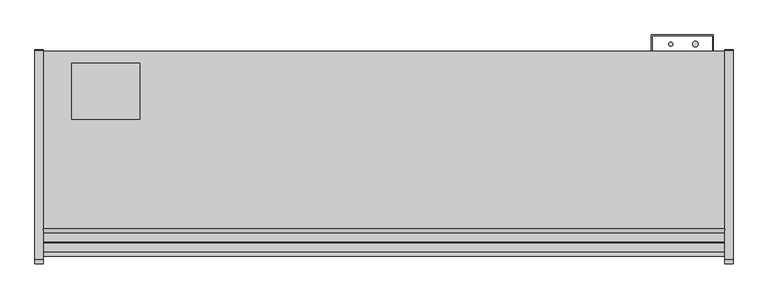
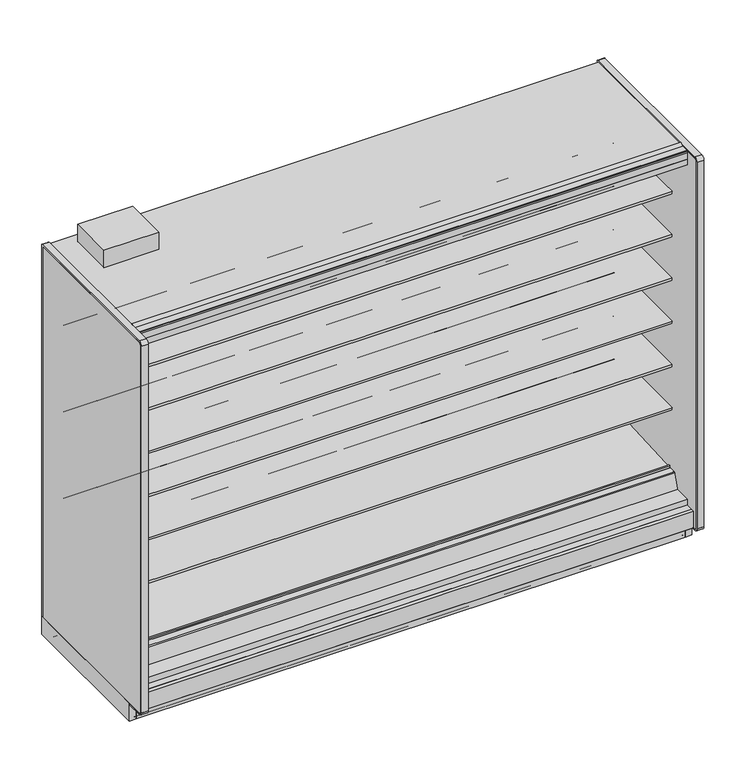
"""IFC4 building model written with IfcOpenShell, lengths in millimetres: proxy geometry."""

from ifc_helpers import new_model, si_unit, point, frame, frame_2d, origin, origin_with_axes, place, context, project, spatial, polyline, circle_curve, trimmed, segment, composite_curve, outline, extrude, source, transform, mapped, element, save
from ifc_brep_helpers import plane_surface, cylinder_surface, revolved_surface, advanced_brep


def mechanical_equipment_aef03541(model_context):
    return source(origin(), model_context, "Body", "SolidModel", [
        advanced_brep(
        [(3048.0, -561.9634035, 344.1848334), (3048.0, -564.2429044, 345.4296812), (3048.0, -1026.8895371, 320.6518015), (3048.0, -1030.5933535, 323.8714799), (3048.0, -1031.0840219, 329.4798433), (3048.0, -1038.0719408, 329.6038293), (3048.0, -1036.3912863, 310.3938498), (3048.0, -1029.7331167, 304.6059909), (3048.0, -564.0987232, 329.0088554), (3048.0, -561.0984251, 332.412155), (0.0, -561.9634035, 344.1848334), (0.0, -561.0984251, 332.412155), (0.0, -564.0987232, 329.0088554), (0.0, -1029.7331167, 304.6059909), (0.0, -1036.3912863, 310.3938498), (0.0, -1038.0719408, 329.6038293), (0.0, -1031.1453592, 329.474477), (0.0, -1030.5933535, 323.8714799), (0.0, -1026.8895371, 320.6518015), (0.0, -564.2429044, 345.4296812)],
        [
            (0, 1, circle_curve(frame((3048.0, -564.1846976, 342.8267904), z_axis=(1.0, 0.0, 0.0), x_axis=(0.0, 1.0, 0.0)), 2.6035415)),
            (1, 2),
            (2, 3, circle_curve(frame((3048.0, -1027.074408, 324.1793478), z_axis=(-1.0, 0.0, 0.0), x_axis=(0.0, 1.0, 0.0)), 3.5323874)),
            (3, 4),
            (4, 5, circle_curve(frame((3048.0, -1034.6155275, 329.1708765), z_axis=(1.0, 0.0, 0.0), x_axis=(0.0, 1.0, 0.0)), 3.4834238)),
            (5, 6),
            (6, 7, circle_curve(frame((3048.0, -1030.06545, 310.9472884), z_axis=(1.0, 0.0, 0.0), x_axis=(0.0, 1.0, 0.0)), 6.35)),
            (7, 8),
            (8, 9, circle_curve(frame((3048.0, -564.2648898, 332.1795042), z_axis=(1.0, 0.0, 0.0), x_axis=(0.0, 1.0, 0.0)), 3.175)),
            (9, 0),
            (10, 11),
            (11, 12, circle_curve(frame((0.0, -564.2648898, 332.1795042), z_axis=(-1.0, 0.0, 0.0), x_axis=(0.0, 1.0, 0.0)), 3.175)),
            (12, 13),
            (13, 14, circle_curve(frame((0.0, -1030.06545, 310.9472884), z_axis=(-1.0, 0.0, 0.0), x_axis=(0.0, 1.0, 0.0)), 6.35)),
            (14, 15),
            (15, 16, circle_curve(frame((0.0, -1034.6155275, 329.1708765), z_axis=(-1.0, 0.0, 0.0), x_axis=(0.0, 1.0, 0.0)), 3.4834238)),
            (16, 17),
            (17, 18, circle_curve(frame((0.0, -1027.074408, 324.1793478), z_axis=(1.0, 0.0, 0.0), x_axis=(0.0, 1.0, 0.0)), 3.5323874)),
            (18, 19),
            (19, 10, circle_curve(frame((0.0, -564.1846976, 342.8267904), z_axis=(-1.0, 0.0, 0.0), x_axis=(0.0, 1.0, 0.0)), 2.6035415)),
            (0, 10),
            (19, 1),
            (18, 2),
            (17, 3),
            (16, 4),
            (15, 5),
            (14, 6),
            (13, 7),
            (12, 8),
            (11, 9),
        ],
        [
            plane_surface(frame((3048.0, -561.5811561, 342.8267904), z_axis=(1.0, 0.0, 0.0), x_axis=(0.0, 0.0, 1.0))),
            plane_surface(frame((0.0, -561.5811561, 342.8267904), z_axis=(-1.0, 0.0, 0.0), x_axis=(0.0, 0.0, -1.0))),
            cylinder_surface(frame((0.0, -564.1846976, 342.8267904), z_axis=(1.0, 0.0, 0.0), x_axis=(0.0, 1.0, 0.0)), 2.6035415),
            plane_surface(frame((3048.0, -564.2429044, 345.4296812), z_axis=(0.0, -0.05348016950002925, 0.9985689117283034), x_axis=(-1.0, 0.0, 0.0))),
            revolved_surface(polyline([(0.0, -1023.5420206, 324.1793478), (3048.0, -1023.5420206, 324.1793478)]), (0.0, -1027.074408, 324.1793478), (-1.0, 0.0, 0.0)),
            plane_surface(frame((3048.0, -1030.5933535, 323.8714799), z_axis=(0.0, 0.9961946955698885, 0.08715577157261226), x_axis=(-1.0, 0.0, 0.0))),
            cylinder_surface(frame((0.0, -1034.6155275, 329.1708765), z_axis=(1.0, 0.0, 0.0), x_axis=(0.0, 1.0, 0.0)), 3.4834238),
            plane_surface(frame((3048.0, -1038.0719408, 329.6038293), z_axis=(0.0, -0.9961947025639891, -0.08715569162966595), x_axis=(-1.0, 0.0, 0.0))),
            cylinder_surface(frame((0.0, -1030.06545, 310.9472884), z_axis=(1.0, 0.0, 0.0), x_axis=(0.0, 1.0, 0.0)), 6.35),
            plane_surface(frame((3048.0, -1029.7331167, 304.6059909), z_axis=(0.0, 0.05233595624301148, -0.9986295347545703), x_axis=(-1.0, 0.0, 0.0))),
            cylinder_surface(frame((0.0, -564.2648898, 332.1795042), z_axis=(1.0, 0.0, 0.0), x_axis=(0.0, 1.0, 0.0)), 3.175),
            plane_surface(frame((3048.0, -561.0984251, 332.412155), z_axis=(0.0, 0.9973117114183067, 0.07327585050948485), x_axis=(-1.0, 0.0, 0.0))),
        ],
        [
            (0, [[1, 2, 3, 4, 5, 6, 7, 8, 9, 10]]),
            (1, [[11, 12, 13, 14, 15, 16, 17, 18, 19, 20]]),
            (2, [[-1, 21, -20, 22]]),
            (3, [[-2, -22, -19, 23]]),
            (4, [[-3, -23, -18, 24]]),
            (5, [[-4, -24, -17, 25]]),
            (6, [[-5, -25, -16, 26]]),
            (7, [[-6, -26, -15, 27]]),
            (8, [[-7, -27, -14, 28]]),
            (9, [[-8, -28, -13, 29]]),
            (10, [[-9, -29, -12, 30]]),
            (11, [[-10, -30, -11, -21]]),
        ],
    ),
        extrude(outline(polyline([(0.0, -76.2), (0.0, 0.0), (3048.0, 0.0), (3048.0, -76.2), (0.0, -76.2)])), frame((3048.0, -1148.315718, 2172.3343709), z_axis=(0.0, 0.20791169081767066, 0.9781476007338246), x_axis=(-1.0, 0.0, 0.0)), (0.0, 0.0, 1.0), 12.7),
        extrude(outline(composite_curve([segment(polyline([(-450.7214273, 610.906076), (-468.9852913, 610.5955195)]), True, "CONTINUOUS"), segment(trimmed(circle_curve(frame_2d((-469.4171274, 635.9918483)), 25.4), [point((-468.9852913, 610.5955195))], [point((-485.3944836, 616.2463656))], False, "CARTESIAN"), True, "CONTINUOUS"), segment(polyline([(-485.3944836, 616.2463656), (-503.2465447, 630.6916311)]), True, "CONTINUOUS"), segment(trimmed(circle_curve(frame_2d((-543.1899354, 581.3279244)), 63.5), [point((-503.2465447, 630.6916311))], [point((-535.2920542, 644.3348563))], True, "CARTESIAN"), True, "CONTINUOUS"), segment(polyline([(-535.2920542, 644.3348563), (-749.7407218, 668.0319937), (-751.2294983, 671.4725458), (-1060.3214273, 671.4725458), (-1060.3214273, 685.6965458), (-450.7214273, 685.6965458), (-450.7214273, 610.906076)]), True, "CONTINUOUS")], self_intersect=False)), frame((0.0, 0.0, 0.0), z_axis=(1.0, 0.0, 0.0), x_axis=(0.0, 1.0, 0.0)), (0.0, 0.0, 1.0), 3048.0),
        extrude(outline(composite_curve([segment(polyline([(-450.7214273, 864.906076), (-468.9852913, 864.5955195)]), True, "CONTINUOUS"), segment(trimmed(circle_curve(frame_2d((-469.4171274, 889.9918483)), 25.4), [point((-468.9852913, 864.5955195))], [point((-485.3944836, 870.2463656))], False, "CARTESIAN"), True, "CONTINUOUS"), segment(polyline([(-485.3944836, 870.2463656), (-503.2465447, 884.6916311)]), True, "CONTINUOUS"), segment(trimmed(circle_curve(frame_2d((-543.1899354, 835.3279244)), 63.5), [point((-503.2465447, 884.6916311))], [point((-535.2920542, 898.3348563))], True, "CARTESIAN"), True, "CONTINUOUS"), segment(polyline([(-535.2920542, 898.3348563), (-749.7407218, 922.0319937), (-751.2294983, 925.4725458), (-1060.3214273, 925.4725458), (-1060.3214273, 939.6965458), (-450.7214273, 939.6965458), (-450.7214273, 864.906076)]), True, "CONTINUOUS")], self_intersect=False)), frame((0.0, 0.0, 0.0), z_axis=(1.0, 0.0, 0.0), x_axis=(0.0, 1.0, 0.0)), (0.0, 0.0, 1.0), 3048.0),
        extrude(outline(composite_curve([segment(polyline([(-450.7214273, 1118.906076), (-468.9852913, 1118.5955195)]), True, "CONTINUOUS"), segment(trimmed(circle_curve(frame_2d((-469.4171274, 1143.9918483)), 25.4), [point((-468.9852913, 1118.5955195))], [point((-485.3944836, 1124.2463656))], False, "CARTESIAN"), True, "CONTINUOUS"), segment(polyline([(-485.3944836, 1124.2463656), (-503.2465447, 1138.6916311)]), True, "CONTINUOUS"), segment(trimmed(circle_curve(frame_2d((-543.1899354, 1089.3279244)), 63.5), [point((-503.2465447, 1138.6916311))], [point((-535.2920542, 1152.3348563))], True, "CARTESIAN"), True, "CONTINUOUS"), segment(polyline([(-535.2920542, 1152.3348563), (-749.7407218, 1176.0319937), (-751.2294983, 1179.4725458), (-1060.3214273, 1179.4725458), (-1060.3214273, 1193.6965458), (-450.7214273, 1193.6965458), (-450.7214273, 1118.906076)]), True, "CONTINUOUS")], self_intersect=False)), frame((0.0, 0.0, 0.0), z_axis=(1.0, 0.0, 0.0), x_axis=(0.0, 1.0, 0.0)), (0.0, 0.0, 1.0), 3048.0),
        extrude(outline(composite_curve([segment(polyline([(-450.7214273, 1372.906076), (-468.9852913, 1372.5955195)]), True, "CONTINUOUS"), segment(trimmed(circle_curve(frame_2d((-469.4171274, 1397.9918483)), 25.4), [point((-468.9852913, 1372.5955195))], [point((-485.3944836, 1378.2463656))], False, "CARTESIAN"), True, "CONTINUOUS"), segment(polyline([(-485.3944836, 1378.2463656), (-503.2465447, 1392.6916311)]), True, "CONTINUOUS"), segment(trimmed(circle_curve(frame_2d((-543.1899354, 1343.3279244)), 63.5), [point((-503.2465447, 1392.6916311))], [point((-535.2920542, 1406.3348563))], True, "CARTESIAN"), True, "CONTINUOUS"), segment(polyline([(-535.2920542, 1406.3348563), (-749.7407218, 1430.0319937), (-751.2294983, 1433.4725458), (-1060.3214273, 1433.4725458), (-1060.3214273, 1447.6965458), (-450.7214273, 1447.6965458), (-450.7214273, 1372.906076)]), True, "CONTINUOUS")], self_intersect=False)), frame((0.0, 0.0, 0.0), z_axis=(1.0, 0.0, 0.0), x_axis=(0.0, 1.0, 0.0)), (0.0, 0.0, 1.0), 3048.0),
        extrude(outline(composite_curve([segment(polyline([(-450.7214273, 1626.906076), (-468.9852913, 1626.5955195)]), True, "CONTINUOUS"), segment(trimmed(circle_curve(frame_2d((-469.4171274, 1651.9918483)), 25.4), [point((-468.9852913, 1626.5955195))], [point((-485.3944836, 1632.2463656))], False, "CARTESIAN"), True, "CONTINUOUS"), segment(polyline([(-485.3944836, 1632.2463656), (-503.2465447, 1646.6916311)]), True, "CONTINUOUS"), segment(trimmed(circle_curve(frame_2d((-543.1899354, 1597.3279244)), 63.5), [point((-503.2465447, 1646.6916311))], [point((-535.2920542, 1660.3348563))], True, "CARTESIAN"), True, "CONTINUOUS"), segment(polyline([(-535.2920542, 1660.3348563), (-749.7407218, 1684.0319937), (-751.2294983, 1687.4725458), (-1060.3214273, 1687.4725458), (-1060.3214273, 1701.6965458), (-450.7214273, 1701.6965458), (-450.7214273, 1626.906076)]), True, "CONTINUOUS")], self_intersect=False)), frame((0.0, 0.0, 0.0), z_axis=(1.0, 0.0, 0.0), x_axis=(0.0, 1.0, 0.0)), (0.0, 0.0, 1.0), 3048.0),
        extrude(outline(composite_curve([segment(polyline([(-450.7214273, 1880.906076), (-468.9852913, 1880.5955195)]), True, "CONTINUOUS"), segment(trimmed(circle_curve(frame_2d((-469.4171274, 1905.9918483)), 25.4), [point((-468.9852913, 1880.5955195))], [point((-485.3944836, 1886.2463656))], False, "CARTESIAN"), True, "CONTINUOUS"), segment(polyline([(-485.3944836, 1886.2463656), (-503.2465447, 1900.6916311)]), True, "CONTINUOUS"), segment(trimmed(circle_curve(frame_2d((-543.1899354, 1851.3279244)), 63.5), [point((-503.2465447, 1900.6916311))], [point((-535.2920542, 1914.3348563))], True, "CARTESIAN"), True, "CONTINUOUS"), segment(polyline([(-535.2920542, 1914.3348563), (-749.7407218, 1938.0319937), (-751.2294983, 1941.4725458), (-1060.3214273, 1941.4725458), (-1060.3214273, 1955.6965458), (-450.7214273, 1955.6965458), (-450.7214273, 1880.906076)]), True, "CONTINUOUS")], self_intersect=False)), frame((0.0, 0.0, 0.0), z_axis=(1.0, 0.0, 0.0), x_axis=(0.0, 1.0, 0.0)), (0.0, 0.0, 1.0), 3048.0),
        extrude(outline(composite_curve([segment(polyline([(-399.4642273, 263.5334166), (-450.7214273, 263.5334166), (-450.7214273, 2180.7678), (-1054.683315, 2180.7678), (-1065.9723027, 2183.3740682), (-1068.4516793, 2171.7095186)]), True, "CONTINUOUS"), segment(trimmed(circle_curve(frame_2d((-1069.9423762, 2172.026376)), 1.524), [point((-1068.4516793, 2171.7095186))], [point((-1070.2592336, 2170.535679))], False, "CARTESIAN"), True, "CONTINUOUS"), segment(polyline([(-1070.2592336, 2170.535679), (-1146.9989273, 2186.8472045), (-1146.9989273, 2185.4610037)]), True, "CONTINUOUS"), segment(trimmed(circle_curve(frame_2d((-1149.3773343, 2185.6703219)), 2.3876), [point((-1146.9989273, 2185.4610037))], [point((-1149.3773343, 2183.2827219))], False, "CARTESIAN"), True, "CONTINUOUS"), segment(polyline([(-1149.3773343, 2183.2827219), (-1160.0080838, 2183.2827219), (-1160.0080838, 2198.5584119), (-1204.934197, 2198.5584119), (-1204.934197, 2231.5678), (-399.4642273, 2231.5678), (-399.4642273, 263.5334166)]), True, "CONTINUOUS")], self_intersect=False)), frame((0.0, 0.0, 0.0), z_axis=(1.0, 0.0, 0.0), x_axis=(0.0, 1.0, 0.0)), (0.0, 0.0, 1.0), 3048.0),
        extrude(outline(polyline([(-1184.0321273, 137.6211945), (-1168.9318273, 134.4868212), (-1168.9318273, 0.0), (-1184.0321273, 0.0), (-1184.0321273, 137.6211945)])), frame((0.0, 0.0, 0.0), z_axis=(1.0, 0.0, 0.0), x_axis=(0.0, 1.0, 0.0)), (0.0, 0.0, 1.0), 3048.0),
        extrude(outline(composite_curve([segment(polyline([(-1143.4147517, 2293.9163807), (-1142.8305517, 2292.9045166), (-1164.373752, 2280.4665441)]), True, "CONTINUOUS"), segment(trimmed(circle_curve(frame_2d((-1165.351652, 2282.1603166)), 1.9558), [point((-1164.373752, 2280.4665441))], [point((-1165.351652, 2280.2045166))], False, "CARTESIAN"), True, "CONTINUOUS"), segment(polyline([(-1165.351652, 2280.2045166), (-1204.146797, 2280.2045166)]), True, "CONTINUOUS"), segment(trimmed(circle_curve(frame_2d((-1204.146797, 2279.4171166)), 0.7874), [point((-1204.146797, 2280.2045166))], [point((-1204.934197, 2279.4171166))], True, "CARTESIAN"), True, "CONTINUOUS"), segment(polyline([(-1204.934197, 2279.4171166), (-1204.934197, 2271.1740275), (-1206.102597, 2271.1740275), (-1206.102597, 2279.4171166)]), True, "CONTINUOUS"), segment(trimmed(circle_curve(frame_2d((-1204.146797, 2279.4171166)), 1.9558), [point((-1206.102597, 2279.4171166))], [point((-1204.146797, 2281.3729166))], False, "CARTESIAN"), True, "CONTINUOUS"), segment(polyline([(-1204.146797, 2281.3729166), (-1165.8714792, 2281.3729166)]), True, "CONTINUOUS"), segment(trimmed(circle_curve(frame_2d((-1165.8714792, 2284.100338)), 2.7274214), [point((-1165.8714792, 2281.3729166))], [point((-1164.5077684, 2281.7383218))], True, "CARTESIAN"), True, "CONTINUOUS"), segment(polyline([(-1164.5077684, 2281.7383218), (-1143.4147517, 2293.9163807)]), True, "CONTINUOUS")], self_intersect=False)), frame((0.0, 0.0, 0.0), z_axis=(1.0, 0.0, 0.0), x_axis=(0.0, 1.0, 0.0)), (0.0, 0.0, 1.0), 3048.0),
        extrude(outline(composite_curve([segment(trimmed(circle_curve(frame_2d((-389.0756273, 5.1562)), 5.1562), [point((-389.0756273, 0.0))], [point((-394.2318273, 5.1562))], False, "CARTESIAN"), True, "CONTINUOUS"), segment(polyline([(-394.2318273, 5.1562), (-394.2318273, 20.5359)]), True, "CONTINUOUS"), segment(trimmed(circle_curve(frame_2d((-396.6194273, 20.5359)), 2.3876), [point((-394.2318273, 20.5359))], [point((-396.6194273, 22.9235))], True, "CARTESIAN"), True, "CONTINUOUS"), segment(polyline([(-396.6194273, 22.9235), (-407.8462273, 22.9235)]), True, "CONTINUOUS"), segment(trimmed(circle_curve(frame_2d((-407.8462273, 20.5359)), 2.3876), [point((-407.8462273, 22.9235))], [point((-410.2338273, 20.5359))], True, "CARTESIAN"), True, "CONTINUOUS"), segment(polyline([(-410.2338273, 20.5359), (-410.2338273, 5.1054), (-413.0024273, 5.1054), (-413.0024273, 20.5359)]), True, "CONTINUOUS"), segment(trimmed(circle_curve(frame_2d((-407.8462273, 20.5359)), 5.1562), [point((-413.0024273, 20.5359))], [point((-407.8462273, 25.6921))], False, "CARTESIAN"), True, "CONTINUOUS"), segment(polyline([(-407.8462273, 25.6921), (-396.6194273, 25.6921)]), True, "CONTINUOUS"), segment(trimmed(circle_curve(frame_2d((-396.6194273, 20.5359)), 5.1562), [point((-396.6194273, 25.6921))], [point((-391.4632273, 20.5359))], False, "CARTESIAN"), True, "CONTINUOUS"), segment(polyline([(-391.4632273, 20.5359), (-391.4632273, 5.1562)]), True, "CONTINUOUS"), segment(trimmed(circle_curve(frame_2d((-389.0756273, 5.1562)), 2.3876), [point((-391.4632273, 5.1562))], [point((-389.0756273, 2.7686))], True, "CARTESIAN"), True, "CONTINUOUS"), segment(polyline([(-389.0756273, 2.7686), (-354.1633273, 2.7686)]), True, "CONTINUOUS"), segment(trimmed(circle_curve(frame_2d((-354.1633273, 5.1562)), 2.3876), [point((-354.1633273, 2.7686))], [point((-351.7757273, 5.1562))], True, "CARTESIAN"), True, "CONTINUOUS"), segment(polyline([(-351.7757273, 5.1562), (-351.7757273, 24.892), (-349.0071273, 24.892), (-349.0071273, 5.1562)]), True, "CONTINUOUS"), segment(trimmed(circle_curve(frame_2d((-354.1633273, 5.1562)), 5.1562), [point((-349.0071273, 5.1562))], [point((-354.1633273, 0.0))], False, "CARTESIAN"), True, "CONTINUOUS"), segment(polyline([(-354.1633273, 0.0), (-389.0756273, 0.0)]), True, "CONTINUOUS")], self_intersect=False)), frame((0.0, 0.0, 0.0), z_axis=(1.0, 0.0, 0.0), x_axis=(0.0, 1.0, 0.0)), (0.0, 0.0, 1.0), 3048.0),
        extrude(outline(polyline([(431.8, -402.5757273), (431.8, -653.4642273), (127.0, -653.4642273), (127.0, -402.5757273), (431.8, -402.5757273)])), frame((0.0, 0.0, 2283.6853727), z_axis=(0.0, 0.0, 1.0), x_axis=(1.0, 0.0, 0.0)), (0.0, 0.0, 1.0), 100.7396273),
        extrude(outline(composite_curve([segment(trimmed(circle_curve(frame_2d((2917.1930803, -317.2571273)), 12.7), [point((2904.4930803, -317.2571273))], [point((2929.8930803, -317.2571273))], False, "CARTESIAN"), True, "CONTINUOUS"), segment(trimmed(circle_curve(frame_2d((2917.1930803, -317.2571273)), 12.7), [point((2929.8930803, -317.2571273))], [point((2904.4930803, -317.2571273))], False, "CARTESIAN"), True, "CONTINUOUS")], self_intersect=False)), frame((0.0, 0.0, 1447.6965458), z_axis=(0.0, 0.0, 1.0), x_axis=(1.0, 0.0, 0.0)), (0.0, 0.0, 1.0), 508.0),
        extrude(outline(composite_curve([segment(trimmed(circle_curve(frame_2d((2807.2004524, -317.2571273)), 9.525), [point((2797.6754524, -317.2571273))], [point((2816.7254524, -317.2571273))], False, "CARTESIAN"), True, "CONTINUOUS"), segment(trimmed(circle_curve(frame_2d((2807.2004524, -317.2571273)), 9.525), [point((2816.7254524, -317.2571273))], [point((2797.6754524, -317.2571273))], False, "CARTESIAN"), True, "CONTINUOUS")], self_intersect=False)), frame((0.0, 0.0, 1447.6965458), z_axis=(0.0, 0.0, 1.0), x_axis=(1.0, 0.0, 0.0)), (0.0, 0.0, 1.0), 508.0),
        extrude(outline(composite_curve([segment(trimmed(circle_curve(frame_2d((2908.8004524, -526.8071273)), 9.525), [point((2899.2754524, -526.8071273))], [point((2918.3254524, -526.8071273))], False, "CARTESIAN"), True, "CONTINUOUS"), segment(trimmed(circle_curve(frame_2d((2908.8004524, -526.8071273)), 9.525), [point((2918.3254524, -526.8071273))], [point((2899.2754524, -526.8071273))], False, "CARTESIAN"), True, "CONTINUOUS")], self_intersect=False)), frame((0.0, 0.0, 57.8450688), z_axis=(0.0, 0.0, 1.0), x_axis=(1.0, 0.0, 0.0)), (0.0, 0.0, 1.0), 47.3172812),
        extrude(outline(composite_curve([segment(trimmed(circle_curve(frame_2d((2955.2930803, -526.8071273)), 12.7), [point((2942.5930803, -526.8071273))], [point((2967.9930803, -526.8071273))], False, "CARTESIAN"), True, "CONTINUOUS"), segment(trimmed(circle_curve(frame_2d((2955.2930803, -526.8071273)), 12.7), [point((2967.9930803, -526.8071273))], [point((2942.5930803, -526.8071273))], False, "CARTESIAN"), True, "CONTINUOUS")], self_intersect=False)), frame((0.0, 0.0, 57.8450688), z_axis=(0.0, 0.0, 1.0), x_axis=(1.0, 0.0, 0.0)), (0.0, 0.0, 1.0), 47.3172812),
        advanced_brep(
        [(3048.0, -351.7757273, 5.1562), (3048.0, -351.7757273, 102.030341), (3048.0, -354.5203863, 104.775), (3048.0, -1016.877197, 104.775), (3048.0, -1020.1132273, 101.5389697), (3048.0, -1020.1132273, 5.1562), (3048.0, -1017.7256273, 2.7686), (3048.0, -985.1882273, 2.7686), (3048.0, -985.1882273, 44.45), (3048.0, -386.7007273, 44.45), (3048.0, -386.7007273, 2.7686), (3048.0, -354.1633273, 2.7686), (0.0, -351.7757273, 5.1562), (0.0, -354.1633273, 2.7686), (0.0, -386.7007273, 2.7686), (0.0, -386.7007273, 44.45), (0.0, -985.1882273, 44.45), (0.0, -985.1882273, 2.7686), (0.0, -1017.7256273, 2.7686), (0.0, -1020.1132273, 5.1562), (0.0, -1020.1132273, 101.5389697), (0.0, -1016.877197, 104.775), (0.0, -354.5203863, 104.775), (0.0, -351.7757273, 102.030341), (1574.8, -945.9071273, 104.775), (1473.2, -945.9071273, 104.775), (2984.5, -526.8071273, 104.775), (2882.9, -526.8071273, 104.775), (2882.9, -526.8071273, 44.45), (2984.5, -526.8071273, 44.45), (1473.2, -945.9071273, 70.23735), (1574.8, -945.9071273, 70.23735)],
        [
            (0, 1),
            (1, 2, circle_curve(frame((3048.0, -354.5203863, 102.030341), z_axis=(1.0, 0.0, 0.0), x_axis=(0.0, 1.0, 0.0)), 2.744659)),
            (2, 3),
            (3, 4, circle_curve(frame((3048.0, -1016.877197, 101.5389697), z_axis=(1.0, 0.0, 0.0), x_axis=(0.0, 1.0, 0.0)), 3.2360303)),
            (4, 5),
            (5, 6, circle_curve(frame((3048.0, -1017.7256273, 5.1562), z_axis=(1.0, 0.0, 0.0), x_axis=(0.0, 1.0, 0.0)), 2.3876)),
            (6, 7),
            (7, 8),
            (8, 9),
            (9, 10),
            (10, 11),
            (11, 0, circle_curve(frame((3048.0, -354.1633273, 5.1562), z_axis=(1.0, 0.0, 0.0), x_axis=(0.0, 1.0, 0.0)), 2.3876)),
            (12, 13, circle_curve(frame((0.0, -354.1633273, 5.1562), z_axis=(-1.0, 0.0, 0.0), x_axis=(0.0, 1.0, 0.0)), 2.3876)),
            (13, 14),
            (14, 15),
            (15, 16),
            (16, 17),
            (17, 18),
            (18, 19, circle_curve(frame((0.0, -1017.7256273, 5.1562), z_axis=(-1.0, 0.0, 0.0), x_axis=(0.0, 1.0, 0.0)), 2.3876)),
            (19, 20),
            (20, 21, circle_curve(frame((0.0, -1016.877197, 101.5389697), z_axis=(-1.0, 0.0, 0.0), x_axis=(0.0, 1.0, 0.0)), 3.2360303)),
            (21, 22),
            (22, 23, circle_curve(frame((0.0, -354.5203863, 102.030341), z_axis=(-1.0, 0.0, 0.0), x_axis=(0.0, 1.0, 0.0)), 2.744659)),
            (23, 12),
            (0, 12),
            (23, 1),
            (22, 2),
            (21, 3),
            (24, 25, circle_curve(frame((1524.0, -945.9071273, 104.775), z_axis=(0.0, 0.0, -1.0), x_axis=(1.0, 0.0, 0.0)), 50.8)),
            (25, 24, circle_curve(frame((1524.0, -945.9071273, 104.775), z_axis=(0.0, 0.0, -1.0), x_axis=(1.0, 0.0, 0.0)), 50.8)),
            (26, 27, circle_curve(frame((2933.7, -526.8071273, 104.775), z_axis=(0.0, 0.0, -1.0), x_axis=(1.0, 0.0, 0.0)), 50.8)),
            (27, 26, circle_curve(frame((2933.7, -526.8071273, 104.775), z_axis=(0.0, 0.0, -1.0), x_axis=(1.0, 0.0, 0.0)), 50.8)),
            (20, 4),
            (19, 5),
            (18, 6),
            (17, 7),
            (16, 8),
            (15, 9),
            (28, 29, circle_curve(frame((2933.7, -526.8071273, 44.45), z_axis=(0.0, 0.0, 1.0), x_axis=(1.0, 0.0, 0.0)), 50.8)),
            (29, 28, circle_curve(frame((2933.7, -526.8071273, 44.45), z_axis=(0.0, 0.0, 1.0), x_axis=(1.0, 0.0, 0.0)), 50.8)),
            (14, 10),
            (13, 11),
            (30, 31, circle_curve(frame((1524.0, -945.9071273, 70.23735), z_axis=(0.0, 0.0, 1.0), x_axis=(1.0, 0.0, 0.0)), 50.8)),
            (31, 30, circle_curve(frame((1524.0, -945.9071273, 70.23735), z_axis=(0.0, 0.0, 1.0), x_axis=(1.0, 0.0, 0.0)), 50.8)),
            (30, 25),
            (24, 31),
            (28, 27),
            (26, 29),
        ],
        [
            plane_surface(frame((3048.0, -351.7757273, 124.7613392), z_axis=(1.0, 0.0, 0.0), x_axis=(0.0, 0.0, 1.0))),
            plane_surface(frame((0.0, -351.7757273, 124.7613392), z_axis=(-1.0, 0.0, 0.0), x_axis=(0.0, 0.0, -1.0))),
            plane_surface(frame((3048.0, -351.7757273, 5.1562), z_axis=(0.0, 1.0, 0.0), x_axis=(-1.0, 0.0, 0.0))),
            cylinder_surface(frame((0.0, -354.5203863, 102.030341), z_axis=(1.0, 0.0, 0.0), x_axis=(0.0, 1.0, 0.0)), 2.744659),
            plane_surface(frame((3048.0, -354.5203863, 104.775), z_axis=(0.0, 0.0, 1.0), x_axis=(-1.0, 0.0, 0.0))),
            cylinder_surface(frame((0.0, -1016.877197, 101.5389697), z_axis=(1.0, 0.0, 0.0), x_axis=(0.0, 1.0, 0.0)), 3.2360303),
            plane_surface(frame((3048.0, -1020.1132273, 101.5389697), z_axis=(0.0, -1.0, 0.0), x_axis=(-1.0, 0.0, 0.0))),
            cylinder_surface(frame((0.0, -1017.7256273, 5.1562), z_axis=(1.0, 0.0, 0.0), x_axis=(0.0, 1.0, 0.0)), 2.3876),
            plane_surface(frame((3048.0, -1017.7256273, 2.7686), z_axis=(0.0, 0.0, -1.0), x_axis=(-1.0, 0.0, 0.0))),
            plane_surface(frame((3048.0, -985.1882273, 2.7686), z_axis=(0.0, 1.0, 0.0), x_axis=(-1.0, 0.0, 0.0))),
            plane_surface(frame((3048.0, -985.1882273, 44.45), z_axis=(0.0, 0.0, -1.0), x_axis=(-1.0, 0.0, 0.0))),
            plane_surface(frame((3048.0, -386.7007273, 44.45), z_axis=(0.0, -1.0, 0.0), x_axis=(-1.0, 0.0, 0.0))),
            plane_surface(frame((3048.0, -386.7007273, 2.7686), z_axis=(0.0, 0.0, -1.0), x_axis=(-1.0, 0.0, 0.0))),
            cylinder_surface(frame((0.0, -354.1633273, 5.1562), z_axis=(1.0, 0.0, 0.0), x_axis=(0.0, 1.0, 0.0)), 2.3876),
            plane_surface(frame((1574.8, -945.9071273, 70.23735), z_axis=(0.0, 0.0, 1.0), x_axis=(0.0, -1.0, 0.0))),
            revolved_surface(polyline([(1574.8, -945.9071273, 104.775), (1574.8, -945.9071273, 70.23735)]), (1524.0, -945.9071273, 70.23735), (0.0, 0.0, 1.0)),
            revolved_surface(polyline([(2984.5, -526.8071273, 104.775), (2984.5, -526.8071273, 44.45)]), (2933.7, -526.8071273, 0.0), (0.0, 0.0, 1.0)),
        ],
        [
            (0, [[1, 2, 3, 4, 5, 6, 7, 8, 9, 10, 11, 12]]),
            (1, [[13, 14, 15, 16, 17, 18, 19, 20, 21, 22, 23, 24]]),
            (2, [[-1, 25, -24, 26]]),
            (3, [[-2, -26, -23, 27]]),
            (4, [[-3, -27, -22, 28], [29, 30], [31, 32]]),
            (5, [[-4, -28, -21, 33]]),
            (6, [[-5, -33, -20, 34]]),
            (7, [[-6, -34, -19, 35]]),
            (8, [[-7, -35, -18, 36]]),
            (9, [[-8, -36, -17, 37]]),
            (10, [[-9, -37, -16, 38], [39, 40]]),
            (11, [[-10, -38, -15, 41]]),
            (12, [[-11, -41, -14, 42]]),
            (13, [[-12, -42, -13, -25]]),
            (14, [[43, 44]]),
            (15, [[-43, 45, -29, 46]]),
            (15, [[-44, -46, -30, -45]]),
            (16, [[47, -31, 48, -39]]),
            (16, [[-47, -40, -48, -32]]),
        ],
    ),
        extrude(outline(composite_curve([segment(polyline([(-982.8133273, 0.0), (-1017.7256273, 0.0)]), True, "CONTINUOUS"), segment(trimmed(circle_curve(frame_2d((-1017.7256273, 5.1562)), 5.1562), [point((-1017.7256273, 0.0))], [point((-1022.8818273, 5.1562))], False, "CARTESIAN"), True, "CONTINUOUS"), segment(polyline([(-1022.8818273, 5.1562), (-1022.8818273, 24.892), (-1020.1132273, 24.892), (-1020.1132273, 5.1562)]), True, "CONTINUOUS"), segment(trimmed(circle_curve(frame_2d((-1017.7256273, 5.1562)), 2.3876), [point((-1020.1132273, 5.1562))], [point((-1017.7256273, 2.7686))], True, "CARTESIAN"), True, "CONTINUOUS"), segment(polyline([(-1017.7256273, 2.7686), (-982.8133273, 2.7686)]), True, "CONTINUOUS"), segment(trimmed(circle_curve(frame_2d((-982.8133273, 5.1562)), 2.3876), [point((-982.8133273, 2.7686))], [point((-980.4257273, 5.1562))], True, "CARTESIAN"), True, "CONTINUOUS"), segment(polyline([(-980.4257273, 5.1562), (-980.4257273, 20.5359)]), True, "CONTINUOUS"), segment(trimmed(circle_curve(frame_2d((-975.2695273, 20.5359)), 5.1562), [point((-980.4257273, 20.5359))], [point((-975.2695273, 25.6921))], False, "CARTESIAN"), True, "CONTINUOUS"), segment(polyline([(-975.2695273, 25.6921), (-964.0427273, 25.6921)]), True, "CONTINUOUS"), segment(trimmed(circle_curve(frame_2d((-964.0427273, 20.5359)), 5.1562), [point((-964.0427273, 25.6921))], [point((-958.8865273, 20.5359))], False, "CARTESIAN"), True, "CONTINUOUS"), segment(polyline([(-958.8865273, 20.5359), (-958.8865273, 5.1054), (-961.6551273, 5.1054), (-961.6551273, 20.5359)]), True, "CONTINUOUS"), segment(trimmed(circle_curve(frame_2d((-964.0427273, 20.5359)), 2.3876), [point((-961.6551273, 20.5359))], [point((-964.0427273, 22.9235))], True, "CARTESIAN"), True, "CONTINUOUS"), segment(polyline([(-964.0427273, 22.9235), (-975.2695273, 22.9235)]), True, "CONTINUOUS"), segment(trimmed(circle_curve(frame_2d((-975.2695273, 20.5359)), 2.3876), [point((-975.2695273, 22.9235))], [point((-977.6571273, 20.5359))], True, "CARTESIAN"), True, "CONTINUOUS"), segment(polyline([(-977.6571273, 20.5359), (-977.6571273, 5.1562)]), True, "CONTINUOUS"), segment(trimmed(circle_curve(frame_2d((-982.8133273, 5.1562)), 5.1562), [point((-977.6571273, 5.1562))], [point((-982.8133273, 0.0))], False, "CARTESIAN"), True, "CONTINUOUS")], self_intersect=False)), frame((0.0, 0.0, 0.0), z_axis=(1.0, 0.0, 0.0), x_axis=(0.0, 1.0, 0.0)), (0.0, 0.0, 1.0), 3048.0),
        extrude(outline(polyline([(3086.1, -341.3672835), (3086.1, -1184.0321273), (3048.0, -1184.0321273), (3048.0, -341.3672835), (3086.1, -341.3672835)])), origin_with_axes(), (0.0, 0.0, 1.0), 105.16235),
        extrude(outline(polyline([(0.0, -341.3672835), (0.0, -1184.0321273), (-38.1, -1184.0321273), (-38.1, -341.3672835), (0.0, -341.3672835)])), origin_with_axes(), (0.0, 0.0, 1.0), 105.16235),
        extrude(outline(polyline([(2720.975, -349.0071273), (2720.975, -275.9821273), (2997.2, -275.9821273), (2997.2, -349.0071273), (2994.025, -349.0071273), (2994.025, -279.1571273), (2724.15, -279.1571273), (2724.15, -349.0071273), (2720.975, -349.0071273)])), frame((0.0, 0.0, 304.927), z_axis=(0.0, 0.0, 1.0), x_axis=(1.0, 0.0, 0.0)), (0.0, 0.0, 1.0), 1523.3666145),
        extrude(outline(composite_curve([segment(polyline([(-1204.934197, 2231.5678), (-1204.934197, 2282.0376)]), True, "CONTINUOUS"), segment(trimmed(circle_curve(frame_2d((-1204.146797, 2282.0376)), 0.7874), [point((-1204.934197, 2282.0376))], [point((-1204.146797, 2282.825))], False, "CARTESIAN"), True, "CONTINUOUS"), segment(polyline([(-1204.146797, 2282.825), (-349.0071273, 2282.825), (-349.0071273, 105.16235), (-1245.5001273, 105.16235), (-1245.5001273, 201.2766923), (-1204.9341969, 201.2766923), (-1204.9341969, 141.9598426), (-1119.8033151, 124.2892029), (-399.4642273, 162.0405748), (-399.4642273, 2231.5678), (-1204.934197, 2231.5678)]), True, "CONTINUOUS")], self_intersect=False)), frame((0.0, 0.0, 0.0), z_axis=(1.0, 0.0, 0.0), x_axis=(0.0, 1.0, 0.0)), (0.0, 0.0, 1.0), 3048.0),
        extrude(outline(composite_curve([segment(polyline([(-1254.0726273, 103.4174079), (-1265.1216273, 103.4174079)]), True, "CONTINUOUS"), segment(trimmed(circle_curve(frame_2d((-1265.1216273, 105.0684079)), 1.651), [point((-1265.1216273, 103.4174079))], [point((-1266.7726273, 105.0684079))], False, "CARTESIAN"), True, "CONTINUOUS"), segment(polyline([(-1266.7726273, 105.0684079), (-1266.7726273, 201.2766923), (-1245.5001273, 201.2766923), (-1245.5001273, 104.8779079), (-1254.0726273, 104.8779079), (-1254.0726273, 103.4174079)]), True, "CONTINUOUS")], self_intersect=False)), frame((0.0, 0.0, 0.0), z_axis=(1.0, 0.0, 0.0), x_axis=(0.0, 1.0, 0.0)), (0.0, 0.0, 1.0), 3048.0),
        extrude(outline(composite_curve([segment(polyline([(-1204.9341969, 236.2009548), (-1112.2655229, 236.2009548), (-1085.4840574, 317.0386194)]), True, "CONTINUOUS"), segment(trimmed(circle_curve(frame_2d((-1079.4562504, 315.0416109)), 6.35), [point((-1085.4840574, 317.0386194))], [point((-1079.4562504, 321.3916109))], False, "CARTESIAN"), True, "CONTINUOUS"), segment(polyline([(-1079.4562504, 321.3916109), (-1042.3265632, 321.3916109)]), True, "CONTINUOUS"), segment(trimmed(circle_curve(frame_2d((-1042.3265632, 317.161475)), 4.2301359), [point((-1042.3265632, 321.3916109))], [point((-1038.0964273, 317.161475))], False, "CARTESIAN"), True, "CONTINUOUS"), segment(polyline([(-1038.0964273, 317.161475), (-1038.0964273, 302.496991), (-560.550461, 327.5241146), (-560.9721481, 339.5996547)]), True, "CONTINUOUS"), segment(trimmed(circle_curve(frame_2d((-556.4536725, 339.7574433)), 4.5212298), [point((-560.9721481, 339.5996547))], [point((-556.6114611, 344.2759189))], False, "CARTESIAN"), True, "CONTINUOUS"), segment(polyline([(-556.6114611, 344.2759189), (-470.5298654, 347.2819545)]), True, "CONTINUOUS"), segment(trimmed(circle_curve(frame_2d((-470.5794425, 348.7016581)), 1.420569), [point((-470.5298654, 347.2819545))], [point((-469.1597389, 348.7512352))], True, "CARTESIAN"), True, "CONTINUOUS"), segment(polyline([(-469.1597389, 348.7512352), (-469.2184151, 350.4315015)]), True, "CONTINUOUS"), segment(trimmed(circle_curve(frame_2d((-467.1682375, 350.5030952)), 2.0514273), [point((-469.2184151, 350.4315015))], [point((-467.5303136, 352.5223166))], False, "CARTESIAN"), True, "CONTINUOUS"), segment(polyline([(-467.5303136, 352.5223166), (-450.7214273, 352.5223166), (-450.7214273, 263.5334166), (-399.4642273, 263.5334166), (-399.4642273, 162.0405748), (-1119.8033151, 124.2892029), (-1204.9341969, 141.9598426), (-1204.9341969, 236.2009548)]), True, "CONTINUOUS")], self_intersect=False)), frame((0.0, 0.0, 0.0), z_axis=(1.0, 0.0, 0.0), x_axis=(0.0, 1.0, 0.0)), (0.0, 0.0, 1.0), 3048.0),
        extrude(outline(composite_curve([segment(polyline([(-1018.5257273, 55.1029387), (-1024.5582273, 55.1180957), (-1024.5582273, -0.0063699), (-1163.8777056, 0.0051706)]), True, "CONTINUOUS"), segment(trimmed(circle_curve(frame_2d((-1163.8772869, 5.059711)), 5.0545404), [point((-1163.8777056, 0.0051706))], [point((-1168.9318273, 5.059711))], False, "CARTESIAN"), True, "CONTINUOUS"), segment(polyline([(-1168.9318273, 5.059711), (-1168.9318273, 134.4868212), (-1119.8033151, 124.2892029), (-1018.5257273, 129.5969363), (-1018.5257273, 55.1029387)]), True, "CONTINUOUS")], self_intersect=False)), frame((0.0, 0.0, 0.0), z_axis=(1.0, 0.0, 0.0), x_axis=(0.0, 1.0, 0.0)), (0.0, 0.0, 1.0), 3048.0),
        extrude(outline(composite_curve([segment(trimmed(circle_curve(frame_2d((1524.0, -945.9071273)), 38.1), [point((1485.9, -945.9071273))], [point((1562.1, -945.9071273))], False, "CARTESIAN"), True, "CONTINUOUS"), segment(trimmed(circle_curve(frame_2d((1524.0, -945.9071273)), 38.1), [point((1562.1, -945.9071273))], [point((1485.9, -945.9071273))], False, "CARTESIAN"), True, "CONTINUOUS")], self_intersect=False)), frame((0.0, 0.0, 57.8450688), z_axis=(0.0, 0.0, 1.0), x_axis=(1.0, 0.0, 0.0)), (0.0, 0.0, 1.0), 47.3172812),
        extrude(outline(polyline([(114.3, -411.7999572), (114.3, -462.5999572), (0.0, -462.5999572), (0.0, -411.7999572), (114.3, -411.7999572)])), frame((0.0, 0.0, 63.88735), z_axis=(0.0, 0.0, 1.0), x_axis=(1.0, 0.0, 0.0)), (0.0, 0.0, 1.0), 6.35),
        extrude(outline(composite_curve([segment(trimmed(circle_curve(frame_2d((-1279.2821273, 2270.125)), 12.7), [point((-1279.2821273, 2282.825))], [point((-1291.9821273, 2270.125))], True, "CARTESIAN"), True, "CONTINUOUS"), segment(polyline([(-1291.9821273, 2270.125), (-1291.9821273, 117.86235)]), True, "CONTINUOUS"), segment(trimmed(circle_curve(frame_2d((-1279.2821273, 117.86235)), 12.7), [point((-1291.9821273, 117.86235))], [point((-1279.2821273, 105.16235))], True, "CARTESIAN"), True, "CONTINUOUS"), segment(polyline([(-1279.2821273, 105.16235), (-1184.0321273, 105.16235), (-1184.0321273, 97.5225063), (-1279.2821273, 97.5225063)]), True, "CONTINUOUS"), segment(trimmed(circle_curve(frame_2d((-1279.2821273, 117.86235)), 20.3398438), [point((-1279.2821273, 97.5225063))], [point((-1299.621971, 117.86235))], False, "CARTESIAN"), True, "CONTINUOUS"), segment(polyline([(-1299.621971, 117.86235), (-1299.621971, 2270.125)]), True, "CONTINUOUS"), segment(trimmed(circle_curve(frame_2d((-1279.2821273, 2270.125)), 20.3398437), [point((-1299.621971, 2270.125))], [point((-1279.2821273, 2290.4648438))], False, "CARTESIAN"), True, "CONTINUOUS"), segment(polyline([(-1279.2821273, 2290.4648438), (-345.8197692, 2290.4648438)]), True, "CONTINUOUS"), segment(trimmed(circle_curve(frame_2d((-345.8197692, 2286.0123581)), 4.4524857), [point((-345.8197692, 2290.4648438))], [point((-341.3672835, 2286.0123581))], False, "CARTESIAN"), True, "CONTINUOUS"), segment(polyline([(-341.3672835, 2286.0123581), (-341.3672835, 105.16235), (-349.0071273, 105.16235), (-349.0071273, 2282.825), (-1279.2821273, 2282.825)]), True, "CONTINUOUS")], self_intersect=False)), frame((3048.0, 0.0, 0.0), z_axis=(1.0, 0.0, 0.0), x_axis=(0.0, 1.0, 0.0)), (0.0, 0.0, 1.0), 38.1),
        extrude(outline(composite_curve([segment(polyline([(-1279.2821273, 2282.825), (-349.0071273, 2282.825), (-349.0071273, 105.16235), (-1279.2821273, 105.16235)]), True, "CONTINUOUS"), segment(trimmed(circle_curve(frame_2d((-1279.2821273, 117.86235)), 12.7), [point((-1279.2821273, 105.16235))], [point((-1291.9821273, 117.86235))], False, "CARTESIAN"), True, "CONTINUOUS"), segment(polyline([(-1291.9821273, 117.86235), (-1291.9821273, 2270.125)]), True, "CONTINUOUS"), segment(trimmed(circle_curve(frame_2d((-1279.2821273, 2270.125)), 12.7), [point((-1291.9821273, 2270.125))], [point((-1279.2821273, 2282.825))], False, "CARTESIAN"), True, "CONTINUOUS")], self_intersect=False)), frame((3048.0, 0.0, 0.0), z_axis=(1.0, 0.0, 0.0), x_axis=(0.0, 1.0, 0.0)), (0.0, 0.0, 1.0), 38.1),
        extrude(outline(composite_curve([segment(trimmed(circle_curve(frame_2d((-1279.2821273, 2270.125)), 12.7), [point((-1279.2821273, 2282.825))], [point((-1291.9821273, 2270.125))], True, "CARTESIAN"), True, "CONTINUOUS"), segment(polyline([(-1291.9821273, 2270.125), (-1291.9821273, 117.86235)]), True, "CONTINUOUS"), segment(trimmed(circle_curve(frame_2d((-1279.2821273, 117.86235)), 12.7), [point((-1291.9821273, 117.86235))], [point((-1279.2821273, 105.16235))], True, "CARTESIAN"), True, "CONTINUOUS"), segment(polyline([(-1279.2821273, 105.16235), (-1184.0321273, 105.16235), (-1184.0321273, 97.5225063), (-1279.2821273, 97.5225063)]), True, "CONTINUOUS"), segment(trimmed(circle_curve(frame_2d((-1279.2821273, 117.86235)), 20.3398438), [point((-1279.2821273, 97.5225063))], [point((-1299.621971, 117.86235))], False, "CARTESIAN"), True, "CONTINUOUS"), segment(polyline([(-1299.621971, 117.86235), (-1299.621971, 2270.125)]), True, "CONTINUOUS"), segment(trimmed(circle_curve(frame_2d((-1279.2821273, 2270.125)), 20.3398437), [point((-1299.621971, 2270.125))], [point((-1279.2821273, 2290.4648438))], False, "CARTESIAN"), True, "CONTINUOUS"), segment(polyline([(-1279.2821273, 2290.4648438), (-345.8197692, 2290.4648438)]), True, "CONTINUOUS"), segment(trimmed(circle_curve(frame_2d((-345.8197692, 2286.0123581)), 4.4524857), [point((-345.8197692, 2290.4648438))], [point((-341.3672835, 2286.0123581))], False, "CARTESIAN"), True, "CONTINUOUS"), segment(polyline([(-341.3672835, 2286.0123581), (-341.3672835, 105.16235), (-349.0071273, 105.16235), (-349.0071273, 2282.825), (-1279.2821273, 2282.825)]), True, "CONTINUOUS")], self_intersect=False)), frame((-38.1, 0.0, 0.0), z_axis=(1.0, 0.0, 0.0), x_axis=(0.0, 1.0, 0.0)), (0.0, 0.0, 1.0), 38.1),
        extrude(outline(composite_curve([segment(polyline([(-1279.2821273, 2282.825), (-349.0071273, 2282.825), (-349.0071273, 105.16235), (-1279.2821273, 105.16235)]), True, "CONTINUOUS"), segment(trimmed(circle_curve(frame_2d((-1279.2821273, 117.86235)), 12.7), [point((-1279.2821273, 105.16235))], [point((-1291.9821273, 117.86235))], False, "CARTESIAN"), True, "CONTINUOUS"), segment(polyline([(-1291.9821273, 117.86235), (-1291.9821273, 2270.125)]), True, "CONTINUOUS"), segment(trimmed(circle_curve(frame_2d((-1279.2821273, 2270.125)), 12.7), [point((-1291.9821273, 2270.125))], [point((-1279.2821273, 2282.825))], False, "CARTESIAN"), True, "CONTINUOUS")], self_intersect=False)), frame((-38.1, 0.0, 0.0), z_axis=(1.0, 0.0, 0.0), x_axis=(0.0, 1.0, 0.0)), (0.0, 0.0, 1.0), 38.1),
    ])


if __name__ == "__main__":
    model = new_model("IFC4")
    model_context = context("Model", 3, world=origin())
    ifc_project = project(units=[si_unit("LENGTHUNIT", "METRE", prefix="MILLI")], contexts=[model_context])
    site = spatial("IfcSite", under=ifc_project)
    building = spatial("IfcBuilding", under=site)
    placement = place(None, origin())
    mechanical_equipment_shape = mechanical_equipment_aef03541(model_context)
    element("IfcBuildingElementProxy", 1, Name="Mechanical Equipment", at=placement, inside=building, context=model_context, shape_type="MappedRepresentation", body=[
        mapped(mechanical_equipment_shape, transform((0.0, 0.0, 0.0), x_axis=(1.0, 0.0, 0.0), y_axis=(0.0, 1.0, 0.0), z_axis=(0.0, 0.0, 1.0))),
    ])
    save(model, "model.ifc")
